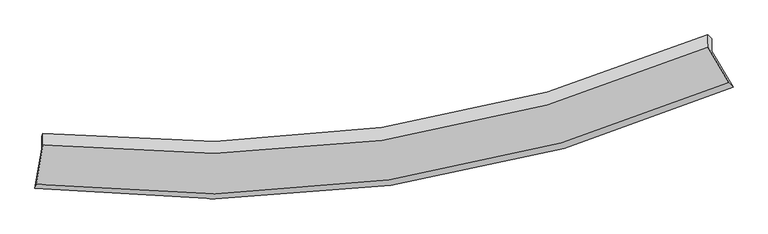
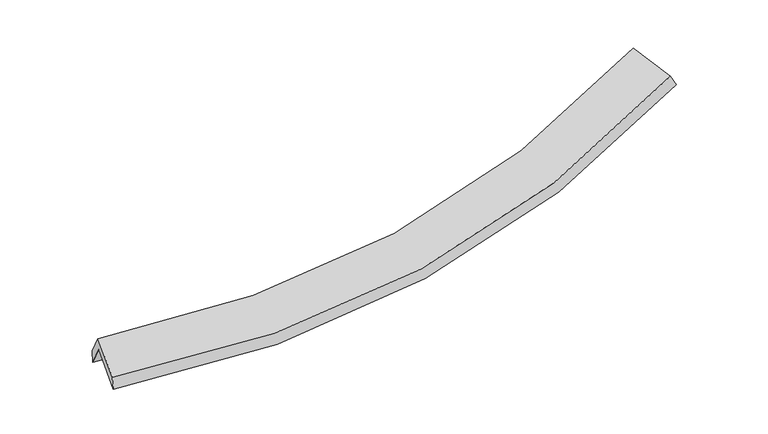
"""IFC4 building model written with IfcOpenShell, lengths in millimetres: proxy geometry."""

from ifc_helpers import new_model, si_unit, frame, origin, place, context, project, spatial, source, transform, mapped, element, save
from ifc_brep_helpers import plane_surface, spline_curve, spline_surface, advanced_brep


def generic_models_5b593ac6(model_context):
    return source(origin(), model_context, "Body", "AdvancedBrep", [
        advanced_brep(
        [(-5064.8802935, -2627.9542865, 1477.9274345), (-4966.0199614, -2046.4647499, 1794.0500542), (4834.5513995, -616.8115436, 2645.2301148), (5145.9342354, -1144.7101633, 2360.7188824), (-4963.9566648, -1865.1700849, 1459.9236035), (4836.6234303, -434.7494313, 2309.6892572), (-4946.8111297, -1821.4123465, 1629.7439709), (4776.9284466, -377.884343, 2443.9485681), (-4948.741282, -1991.00809, 1942.3092847), (4774.9015937, -555.9768296, 2772.1733973), (-5045.5377632, -2570.5269031, 1653.2682869), (5084.0137544, -1080.0258912, 2489.7368862)],
        [
            (0, 1),
            (1, 2, spline_curve(3, [(-4966.0199614, -2046.4647499, 1794.0500542), (-3257.901047455, -2259.939365314, 1716.030076495), (-1591.513641118, -2249.488427234, 1746.929993049), (1676.299347339, -1778.066418261, 2028.161847342), (3276.769061839, -1311.96628831, 2280.988618055), (4834.5513995, -616.8115436, 2645.2301148)], [4, 2, 4], [0.0, 16.745169702175517, 33.68102939638212])),
            (2, 3),
            (3, 0, spline_curve(3, [(5145.9342354, -1144.7101633, 2360.7188824), (3522.402154576, -1860.401768985, 1984.928211545), (1854.668558806, -2341.228815043, 1723.695352107), (-1549.926057328, -2830.384364263, 1431.996749683), (-3285.797305076, -2843.972026001, 1398.965792735), (-5064.8802935, -2627.9542865, 1477.9274345)], [4, 2, 4], [0.0, 16.935859694206606, 33.68102939638212])),
            (1, 4),
            (4, 5, spline_curve(3, [(-4963.9566648, -1865.1700849, 1459.9236035), (-3255.718792287, -2068.192218437, 1362.639679695), (-1589.27085029, -2052.422218079, 1383.736553281), (1678.546387971, -1580.626811773, 1664.280235123), (3278.958478133, -1119.589927542, 1926.438579217), (4836.6234303, -434.7494313, 2309.6892572)], [4, 2, 4], [0.0, 16.40550682814962, 32.99783564866873])),
            (5, 2),
            (4, 6),
            (6, 7, spline_curve(3, [(-4946.8111297, -1821.4123465, 1629.7439709), (-3253.640013353, -2003.100004191, 1527.399429423), (-1601.099175391, -1975.522425572, 1543.021707706), (1641.07799494, -1499.139687442, 1811.721186236), (3229.783682333, -1045.541264733, 2067.500439729), (4776.9284466, -377.884343, 2443.9485681)], [4, 2, 4], [0.0, 16.336996435228123, 32.860034682838766])),
            (7, 5),
            (6, 8),
            (8, 9, spline_curve(3, [(-4948.741282, -1991.00809, 1942.3092847), (-3255.681123511, -2182.445252567, 1857.933100772), (-1603.204046233, -2160.470092578, 1883.88064814), (1638.939809165, -1687.014591408, 2157.975032035), (3227.677023771, -1230.645998306, 2408.648855208), (4774.9015937, -555.9768296, 2772.1733973)], [4, 2, 4], [0.0, 16.268645793943257, 32.722555039495525])),
            (9, 7),
            (8, 10),
            (10, 11, spline_curve(3, [(-5045.5377632, -2570.5269031, 1653.2682869), (-3281.032735998, -2772.065655685, 1550.876982109), (-1559.187190213, -2750.599601371, 1568.310131378), (1818.307106133, -2258.873900653, 1844.388394415), (3472.97873351, -1783.506284902, 2105.778111357), (5084.0137544, -1080.0258912, 2489.7368862)], [4, 2, 4], [0.0, 16.607975270841017, 33.40507819630579])),
            (11, 9),
            (10, 0),
            (3, 11),
        ],
        [
            spline_surface(3, 3, [[(-5064.8802935, -2627.9542865, 1477.9274345), (-3285.797305317, -2843.97202585, 1398.965792951), (-1549.926057592, -2830.384364332, 1431.996749531), (1854.668559073, -2341.228814973, 1723.695352261), (3522.402154317, -1860.401768776, 1984.928211671), (5145.9342354, -1144.7101633, 2360.7188824)], [(-5031.926849454, -2434.124440954, 1583.301641073), (-3276.498552649, -2649.294472361, 1504.653887526), (-1563.788585516, -2636.752385199, 1536.974497343), (1795.212155246, -2153.508016143, 1825.184184013), (3440.524456855, -1677.589941909, 2083.615013822), (5042.139956762, -968.74395671, 2455.555959879)], [(-4998.973405446, -2240.294595446, 1688.675847627), (-3267.199800017, -2454.616918912, 1610.341982083), (-1577.651113443, -2443.120406107, 1641.952245108), (1735.755751417, -1965.787217354, 1926.67301572), (3358.646759409, -1494.778115112, 2182.301815937), (4938.345678138, -792.77775019, 2550.393037321)], [(-4966.0199614, -2046.4647499, 1794.0500542), (-3257.901047348, -2259.939365423, 1716.030076658), (-1591.513641367, -2249.488426974, 1746.92999292), (1676.29934759, -1778.066418524, 2028.161847472), (3276.769061947, -1311.966288246, 2280.988618088), (4834.5513995, -616.8115436, 2645.2301148)]], [4, 4], [4, 2, 4], [0.0, 2.164472192117657], [0.0, 16.745169702175517, 33.68102939638212]),
            spline_surface(3, 3, [[(-4966.0199614, -2046.4647499, 1794.0500542), (-3257.901047348, -2259.939365423, 1716.030076658), (-1591.513641367, -2249.488426974, 1746.92999292), (1676.29934759, -1778.066418524, 2028.161847472), (3276.769061947, -1311.966288246, 2280.988618088), (4834.5513995, -616.8115436, 2645.2301148)], [(-4965.332195882, -1986.033194899, 1682.674570614), (-3257.173628944, -2196.02364976, 1598.233277609), (-1590.766044392, -2183.799690669, 1625.86551308), (1677.0483611, -1712.253216293, 1906.867976669), (3277.498867356, -1247.840834742, 2162.805271756), (4835.242076431, -556.124172853, 2533.383162255)], [(-4964.644430318, -1925.601639901, 1571.299087086), (-3256.446210494, -2132.1079341, 1480.436478616), (-1590.018447414, -2118.110954345, 1504.80103321), (1677.797374612, -1646.440014044, 1785.574105836), (3278.228672771, -1183.715381178, 2044.621925459), (4835.932753369, -495.436802047, 2421.536209745)], [(-4963.9566648, -1865.1700849, 1459.9236035), (-3255.71879209, -2068.192218437, 1362.639679566), (-1589.270850439, -2052.422218039, 1383.73655337), (1678.546388122, -1580.626811813, 1664.280235033), (3278.958478181, -1119.589927675, 1926.438579126), (4836.6234303, -434.7494313, 2309.6892572)]], [4, 4], [4, 2, 4], [0.0, 1.3569994958210307], [0.0, 16.40550682814962, 32.99783564866873]),
            spline_surface(3, 3, [[(-4963.9566648, -1865.1700849, 1459.9236035), (-3255.71879209, -2068.192218437, 1362.639679566), (-1589.270850439, -2052.422218039, 1383.73655337), (1678.546388122, -1580.626811813, 1664.280235033), (3278.958478181, -1119.589927675, 1926.438579126), (4836.6234303, -434.7494313, 2309.6892572)], [(-4958.241486413, -1850.584172088, 1516.530392645), (-3255.025865743, -2046.494813663, 1417.559596117), (-1593.213625396, -2026.788953926, 1436.831604822), (1666.056923714, -1553.464436981, 1713.427218726), (3262.56687965, -1094.907039974, 1973.459199414), (4816.725102406, -415.794401863, 2354.442360831)], [(-4952.526308087, -1835.998259312, 1573.137181755), (-3254.332939458, -2024.797408927, 1472.479512632), (-1597.156400373, -2001.155689811, 1489.926656325), (1653.567459287, -1526.302062147, 1762.574202471), (3246.175281103, -1070.224152284, 2020.479819709), (4796.826774494, -396.839372437, 2399.195464469)], [(-4946.8111297, -1821.4123465, 1629.7439709), (-3253.640013111, -2003.100004153, 1527.399429183), (-1601.09917533, -1975.522425697, 1543.021707777), (1641.077994879, -1499.139687314, 1811.721186165), (3229.783682572, -1045.541264584, 2067.500439996), (4776.9284466, -377.884343, 2443.9485681)]], [4, 4], [4, 2, 4], [0.0, 0.5719392717514593], [0.0, 16.336996435228123, 32.860034682838766]),
            spline_surface(3, 3, [[(-4946.8111297, -1821.4123465, 1629.7439709), (-3253.640013111, -2003.100004153, 1527.399429183), (-1601.09917533, -1975.522425697, 1543.021707777), (1641.077994879, -1499.139687314, 1811.721186165), (3229.783682572, -1045.541264584, 2067.500439996), (4776.9284466, -377.884343, 2443.9485681)], [(-4947.454513797, -1877.944261007, 1733.932408813), (-3254.320383256, -2062.881753558, 1637.577319681), (-1601.800798998, -2037.171647932, 1656.641354647), (1640.365266345, -1561.764655397, 1927.139134696), (3229.081463051, -1107.242842401, 2181.216578317), (4776.252828973, -437.2485052, 2553.356844497)], [(-4948.097897903, -1934.476175493, 1838.120846787), (-3255.00075341, -2122.663502943, 1747.755210241), (-1602.502422671, -2098.820870178, 1770.261001531), (1639.652537805, -1624.389623493, 2042.557083241), (3228.379243509, -1168.944420219, 2294.932716646), (4775.577211327, -496.6126674, 2662.765120903)], [(-4948.741282, -1991.00809, 1942.3092847), (-3255.681123555, -2182.445252347, 1857.933100739), (-1603.204046338, -2160.470092413, 1883.880648401), (1638.939809271, -1687.014591576, 2157.975031772), (3227.677023988, -1230.645998037, 2408.648854967), (4774.9015937, -555.9768296, 2772.1733973)]], [4, 4], [4, 2, 4], [0.0, 1.2825153983242645], [0.0, 16.268645793943257, 32.722555039495525]),
            spline_surface(3, 3, [[(-4948.741282, -1991.00809, 1942.3092847), (-3255.681123555, -2182.445252347, 1857.933100739), (-1603.204046338, -2160.470092413, 1883.880648401), (1638.939809271, -1687.014591576, 2157.975031772), (3227.677023988, -1230.645998037, 2408.648854967), (4774.9015937, -555.9768296, 2772.1733973)], [(-4981.006775747, -2184.181027706, 1845.962285429), (-3264.131660975, -2378.985386843, 1755.581061233), (-1588.53176101, -2357.179928638, 1778.690476076), (1698.728908271, -1877.634361354, 2053.446152646), (3309.444260451, -1414.932760364, 2307.691940518), (4877.938980588, -730.659850142, 2678.027893601)], [(-5013.272269453, -2377.353965394, 1749.615286171), (-3272.582198356, -2575.525521319, 1653.229021742), (-1573.85947568, -2553.889764877, 1673.500303736), (1758.518007274, -2068.254131146, 1948.917273506), (3391.21149695, -1599.219522665, 2206.735026066), (4980.976367512, -905.342870658, 2583.882389899)], [(-5045.5377632, -2570.5269031, 1653.2682869), (-3281.032735776, -2772.065655815, 1550.876982236), (-1559.187190352, -2750.599601103, 1568.310131412), (1818.307106273, -2258.873900924, 1844.388394381), (3472.978733413, -1783.506284992, 2105.778111617), (5084.0137544, -1080.0258912, 2489.7368862)]], [4, 4], [4, 2, 4], [0.0, 2.1984861632821793], [0.0, 16.607975270841017, 33.40507819630579]),
            spline_surface(3, 3, [[(-5045.5377632, -2570.5269031, 1653.2682869), (-3281.032735776, -2772.065655815, 1550.876982236), (-1559.187190352, -2750.599601103, 1568.310131412), (1818.307106273, -2258.873900924, 1844.388394381), (3472.978733413, -1783.506284992, 2105.778111617), (5084.0137544, -1080.0258912, 2489.7368862)], [(-5051.985273307, -2589.669364247, 1594.821336127), (-3282.62092563, -2796.03444584, 1500.239919168), (-1556.100146106, -2777.194522195, 1522.872337442), (1830.427590532, -2286.325538956, 1804.157380332), (3489.453207054, -1809.138112918, 2065.494811639), (5104.65391474, -1101.587315231, 2446.730884938)], [(-5058.432783393, -2608.811825353, 1536.374385273), (-3284.209115463, -2820.003235825, 1449.602856019), (-1553.013101838, -2803.78944324, 1477.4345435), (1842.548074814, -2313.777176941, 1763.92636631), (3505.927680675, -1834.76994085, 2025.211511649), (5125.29407506, -1123.148739269, 2403.724883662)], [(-5064.8802935, -2627.9542865, 1477.9274345), (-3285.797305317, -2843.97202585, 1398.965792951), (-1549.926057592, -2830.384364332, 1431.996749531), (1854.668559073, -2341.228814973, 1723.695352261), (3522.402154317, -1860.401768776, 1984.928211671), (5145.9342354, -1144.7101633, 2360.7188824)]], [4, 4], [4, 2, 4], [0.0, 0.503932099968533], [0.0, 17.015849724574096, 34.22547188060702]),
            plane_surface(frame((4908.8254766, -701.6930337, 2503.582851), z_axis=(0.8874750706658295, 0.402750106254198, 0.22400971152812424), x_axis=(0.4608237623578498, -0.7812512445987717, -0.42105575979818444))),
            plane_surface(frame((-4989.3245158, -2153.7560768, 1659.5371058), z_axis=(-0.9890131703877282, 0.13240743247086562, 0.06573599186205156), x_axis=(0.10426300453421711, 0.30955368509856807, 0.9451485290299056))),
        ],
        [
            (0, [[1, 2, 3, 4]]),
            (1, [[5, 6, 7, -2]]),
            (2, [[8, 9, 10, -6]]),
            (3, [[11, 12, 13, -9]]),
            (4, [[14, 15, 16, -12]]),
            (5, [[17, -4, 18, -15]]),
            (6, [[-16, -18, -3, -7, -10, -13]]),
            (7, [[-17, -14, -11, -8, -5, -1]]),
        ],
    ),
    ])


if __name__ == "__main__":
    model = new_model("IFC4")
    model_context = context("Model", 3, world=origin())
    ifc_project = project(units=[si_unit("LENGTHUNIT", "METRE", prefix="MILLI")], contexts=[model_context])
    site = spatial("IfcSite", under=ifc_project)
    building = spatial("IfcBuilding", under=site)
    placement = place(None, origin())
    generic_models_shape = generic_models_5b593ac6(model_context)
    element("IfcBuildingElementProxy", 1, Name="Generic Models", at=placement, inside=building, context=model_context, shape_type="MappedRepresentation", body=[
        mapped(generic_models_shape, transform((0.0, 0.0, 0.0), x_axis=(1.0, 0.0, 0.0), y_axis=(0.0, 1.0, 0.0), z_axis=(0.0, 0.0, 1.0))),
    ])
    save(model, "model.ifc")
